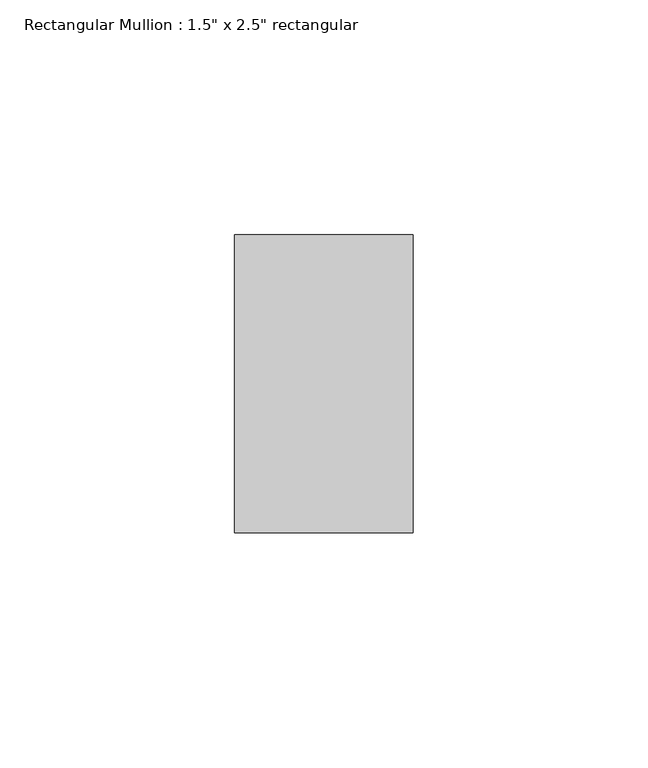
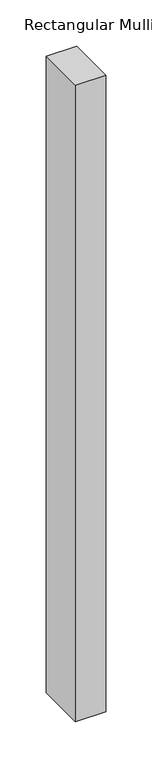
"""IFC4 building model written with IfcOpenShell, lengths in millimetres: member geometry."""

import ifcopenshell
import ifcopenshell.guid

model = None  # the IFC model being written
_history = None  # IfcOwnerHistory: only IFC2X3 demands one
_inside = {}  # id of a spatial element -> (the spatial element, [elements in it])
_under = {}  # id of a project, library or spatial element -> (it, [spatial elements below it])
_declared = {}  # id of a project -> (the project, [libraries it declares])
_typed = {}  # id of a type object -> (the type object, [elements of that type])
_made_of = {}  # id of a material, layer set ... -> (it, [elements and type objects made of it])


def new_model(schema):
    """Start an empty IFC model of exactly this schema.

    Asked for "IFC4X3", IfcOpenShell would pick the latest addendum, in which some entities
    have other attributes; the version numbers below select the first issue.
    IFC2X3 requires an IfcOwnerHistory on every rooted entity: one is made here for all.
    """
    global model, _history
    if schema == "IFC4X3":
        model = ifcopenshell.file(schema_version=(4, 3, 0, 0))
    else:
        model = ifcopenshell.file(schema=schema)
    _inside.clear()
    _under.clear()
    _declared.clear()
    _typed.clear()
    _made_of.clear()
    _history = None
    if model.schema == "IFC2X3":
        org = make("IfcOrganization", Name="unknown")
        user = make(
            "IfcPersonAndOrganization",
            ThePerson=make("IfcPerson", FamilyName="unknown"),
            TheOrganization=org,
        )
        app = make(
            "IfcApplication",
            ApplicationDeveloper=org,
            Version="unknown",
            ApplicationFullName="unknown",
            ApplicationIdentifier="unknown",
        )
        _history = make(
            "IfcOwnerHistory",
            OwningUser=user,
            OwningApplication=app,
            ChangeAction="ADDED",
            CreationDate=0,
        )
    return model


def make(cls, **values):
    """One entity of the class cls with the attributes given. An attribute that is None is left unset."""
    return model.create_entity(
        cls, **{name: value for name, value in values.items() if value is not None}
    )


def rooted(cls, **values):
    """An entity with a GlobalId (a new one), such as an element, a storey or a relation."""
    return make(cls, GlobalId=ifcopenshell.guid.new(), OwnerHistory=_history, **values)


def si_unit(unit_type, name, prefix=None):
    """IfcSIUnit, for example si_unit("LENGTHUNIT", "METRE", prefix="MILLI")."""
    return make("IfcSIUnit", UnitType=unit_type, Prefix=prefix, Name=name)


def assignment(units):
    """IfcUnitAssignment: the units of a project."""
    return None if units is None else make("IfcUnitAssignment", Units=units)


def point(xyz):
    """IfcCartesianPoint."""
    return None if xyz is None else make("IfcCartesianPoint", Coordinates=xyz)


def direction(xyz):
    """IfcDirection."""
    return None if xyz is None else make("IfcDirection", DirectionRatios=xyz)


def frame(location, z_axis=None, x_axis=None):
    """IfcAxis2Placement3D, a coordinate frame: its origin and axes. An axis left out is left unset."""
    return make(
        "IfcAxis2Placement3D",
        Location=point(location),
        Axis=direction(z_axis),
        RefDirection=direction(x_axis),
    )


def origin():
    """The frame at (0, 0, 0) with its axes left unset."""
    return frame((0.0, 0.0, 0.0))


def place(relative_to, where):
    """IfcLocalPlacement: puts the frame where relative to a parent placement (None: the world)."""
    return make(
        "IfcLocalPlacement", PlacementRelTo=relative_to, RelativePlacement=where
    )


def context(
    kind, dimensions, precision=None, world=None, true_north=None, identifier=None
):
    """IfcGeometricRepresentationContext, for example the 3D "Model" context."""
    return make(
        "IfcGeometricRepresentationContext",
        ContextIdentifier=identifier,
        ContextType=kind,
        CoordinateSpaceDimension=dimensions,
        Precision=precision,
        WorldCoordinateSystem=world,
        TrueNorth=true_north,
    )


def project(units=None, contexts=None):
    """IfcProject with its units and contexts."""
    return rooted(
        "IfcProject",
        Name="project",
        RepresentationContexts=contexts,
        UnitsInContext=assignment(units),
    )


def spatial(cls, under=None, at=None, **own):
    """A site, building, storey or space (cls), placed at a placement, below another one or the project."""
    s = rooted(cls, ObjectPlacement=at, **own)
    if under is not None:
        _under.setdefault(under.id(), (under, []))[1].append(s)
    return s


def polyline(points):
    """IfcPolyline through the points."""
    return make("IfcPolyline", Points=[point(p) for p in points])


def outline(outer, holes=None, kind="AREA"):
    """IfcArbitraryClosedProfileDef: a profile drawn as a closed curve; with holes, ...WithVoids."""
    if holes is None:
        return make("IfcArbitraryClosedProfileDef", ProfileType=kind, OuterCurve=outer)
    return make(
        "IfcArbitraryProfileDefWithVoids",
        ProfileType=kind,
        OuterCurve=outer,
        InnerCurves=holes,
    )


def extrude(swept, where, along, depth):
    """IfcExtrudedAreaSolid: the profile swept, set in the frame where, extruded along a direction by depth."""
    return make(
        "IfcExtrudedAreaSolid",
        SweptArea=swept,
        Position=where,
        ExtrudedDirection=direction(along),
        Depth=depth,
    )


def shape(context_of_items, identifier, shape_type, items):
    """IfcShapeRepresentation: the items that make up one representation, for example the "Body"."""
    return make(
        "IfcShapeRepresentation",
        ContextOfItems=context_of_items,
        RepresentationIdentifier=identifier,
        RepresentationType=shape_type,
        Items=items,
    )


def source(mapping_origin, context_of_items, identifier, shape_type, items):
    """IfcRepresentationMap: a shape defined once, which mapped items show again and again."""
    return make(
        "IfcRepresentationMap",
        MappingOrigin=mapping_origin,
        MappedRepresentation=shape(context_of_items, identifier, shape_type, items),
    )


def transform(
    local_origin,
    x_axis=None,
    y_axis=None,
    z_axis=None,
    scale=None,
    scale2=None,
    scale3=None,
    uniform=True,
):
    """IfcCartesianTransformationOperator3D, or its non-uniform kind. x_axis, y_axis, z_axis: its Axis1, 2, 3."""
    if uniform:
        return make(
            "IfcCartesianTransformationOperator3D",
            Axis1=direction(x_axis),
            Axis2=direction(y_axis),
            LocalOrigin=point(local_origin),
            Scale=scale,
            Axis3=direction(z_axis),
        )
    return make(
        "IfcCartesianTransformationOperator3DnonUniform",
        Axis1=direction(x_axis),
        Axis2=direction(y_axis),
        LocalOrigin=point(local_origin),
        Scale=scale,
        Axis3=direction(z_axis),
        Scale2=scale2,
        Scale3=scale3,
    )


def mapped(mapping_source, mapping_target):
    """IfcMappedItem: shows the shape of a source again, moved by a transform."""
    return make(
        "IfcMappedItem", MappingSource=mapping_source, MappingTarget=mapping_target
    )


def made_of(thing, what):
    """Note that an element or type object is made of a material, layer set ...; save() writes the relation."""
    if what is not None:
        _made_of.setdefault(what.id(), (what, []))[1].append(thing)
    return thing


def element(
    cls,
    number,
    at=None,
    inside=None,
    cuts=None,
    type_object=None,
    material=None,
    context=None,
    identifier="Body",
    shape_type=None,
    held_by="IfcProductDefinitionShape",
    body=None,
    shapes=None,
    **own,
):
    """One element of the class cls, such as IfcWall. Its Tag is "e" and its number.

    at: its placement. inside: the storey or other place that contains it. cuts: it is an
    opening in that element (IfcRelVoidsElement). A single representation is given by context,
    identifier, shape_type and body (its items); several are given by shapes. held_by: the class
    of the entity that holds the representations. save() writes the other relations.
    """
    e = rooted(cls, Tag="e%d" % number, ObjectPlacement=at, **own)
    if body is not None:
        shapes = [shape(context, identifier, shape_type, body)]
    if shapes is not None:
        e.Representation = make(held_by, Representations=shapes)
    if inside is not None:
        _inside.setdefault(inside.id(), (inside, []))[1].append(e)
    if cuts is not None:
        rooted(
            "IfcRelVoidsElement", RelatingBuildingElement=cuts, RelatedOpeningElement=e
        )
    if type_object is not None:
        _typed.setdefault(type_object.id(), (type_object, []))[1].append(e)
    return made_of(e, material)


def aggregate(whole, parts):
    """IfcRelAggregates: a whole, such as a stair, and the parts it consists of."""
    return rooted("IfcRelAggregates", RelatingObject=whole, RelatedObjects=parts)


def save(model, path):
    """Write the relations noted so far, then the file.

    IfcRelAggregates (storeys below a building ...), IfcRelContainedInSpatialStructure (elements
    in a storey), IfcRelDefinesByType, IfcRelAssociatesMaterial and IfcRelDeclares: one each for
    every whole, place, type object, material and project.
    """
    for whole, parts in _under.values():
        aggregate(whole, parts)
    for where, things in _inside.values():
        rooted(
            "IfcRelContainedInSpatialStructure",
            RelatedElements=things,
            RelatingStructure=where,
        )
    for kind, things in _typed.values():
        rooted("IfcRelDefinesByType", RelatedObjects=things, RelatingType=kind)
    for what, things in _made_of.values():
        rooted("IfcRelAssociatesMaterial", RelatedObjects=things, RelatingMaterial=what)
    for by, libraries in _declared.values():
        rooted("IfcRelDeclares", RelatingContext=by, RelatedDefinitions=libraries)
    model.write(path)


def member_f6c56b0f(model_context):
    return source(origin(), model_context, "Body", "SweptSolid", [
        extrude(outline(polyline([(19.05, -19.05), (19.05, -82.55), (-19.05, -82.55), (-19.05, -19.05), (19.05, -19.05)])), frame((0.0, 0.0, -842.8369135), z_axis=(0.0, 0.0, 1.0), x_axis=(1.0, 0.0, 0.0)), (0.0, 0.0, 1.0), 842.8369135),
    ])


if __name__ == "__main__":
    model = new_model("IFC4")
    model_context = context("Model", 3, world=origin())
    ifc_project = project(units=[si_unit("LENGTHUNIT", "METRE", prefix="MILLI")], contexts=[model_context])
    site = spatial("IfcSite", under=ifc_project)
    building = spatial("IfcBuilding", under=site)
    placement = place(None, origin())
    member_shape = member_f6c56b0f(model_context)
    element("IfcMember", 1, ObjectType="Rectangular Mullion : 1.5\" x 2.5\" rectangular", at=placement, inside=building, context=model_context, shape_type="MappedRepresentation", body=[
        mapped(member_shape, transform((0.0, 0.0, 0.0), x_axis=(1.0, 0.0, 0.0), y_axis=(0.0, 1.0, 0.0), z_axis=(0.0, 0.0, 1.0))),
    ])
    save(model, "model.ifc")
